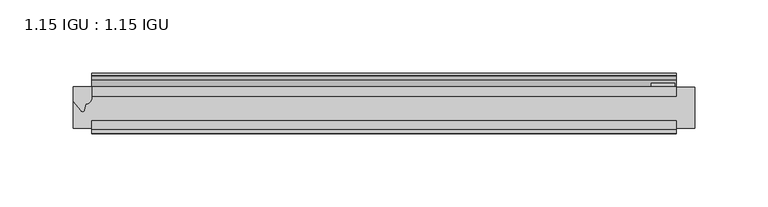
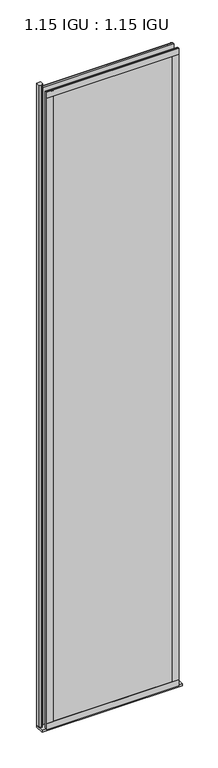
"""IFC4 building model written with IfcOpenShell, lengths in millimetres: plate geometry, 1.15 IGU : 1.15 IGU."""

from ifc_helpers import new_model, si_unit, point, frame, frame_2d, origin, place, context, project, spatial, polyline, circle_curve, trimmed, segment, composite_curve, outline, extrude, source, transform, mapped, element, save


def plate_1_15_igu_1_15_igu_d305fea1(model_context):
    return source(origin(), model_context, "Body", "SweptSolid", [
        extrude(outline(polyline([(200.025, 0.0), (200.025, -6.2992), (-200.025, -6.2992), (-200.025, 0.0), (200.025, 0.0)])), frame((0.0, 0.0, -19.05), z_axis=(0.0, 0.0, 1.0), x_axis=(1.0, 0.0, 0.0)), (0.0, 0.0, 1.0), 2036.7498001),
        extrude(outline(polyline([(-200.025, -23.1648), (200.025, -23.1648), (200.025, -29.464), (-200.025, -29.464), (-200.025, -23.1648)])), frame((0.0, 0.0, -19.05), z_axis=(0.0, 0.0, 1.0), x_axis=(1.0, 0.0, 0.0)), (0.0, 0.0, 1.0), 2036.7498001),
        extrude(outline(composite_curve([segment(trimmed(circle_curve(frame_2d((10.9021792, -22.6833935)), 11.4916952), [point((0.0, -19.05))], [point((-0.2638007, -25.4))], True, "CARTESIAN"), True, "CONTINUOUS"), segment(polyline([(-0.2638007, -25.4), (-27.9952564, -25.4), (-27.9952564, -19.05), (0.0, -19.05)]), True, "CONTINUOUS")], self_intersect=False)), frame((-212.725, 0.0, 0.0), z_axis=(1.0, 0.0, 0.0), x_axis=(0.0, 1.0, 0.0)), (0.0, 0.0, 1.0), 425.45),
        extrude(outline(composite_curve([segment(polyline([(-200.025, 8.8e-06), (-200.025, -7.7683362)]), True, "CONTINUOUS"), segment(trimmed(circle_curve(frame_2d((-203.9964979, -7.7683362)), 3.9714979), [point((-200.025, -7.7683362))], [point((-204.1239498, -11.7377885))], False, "CARTESIAN"), True, "CONTINUOUS"), segment(polyline([(-204.1239498, -11.7377885), (-205.1039843, -16.012436)]), True, "CONTINUOUS"), segment(trimmed(circle_curve(frame_2d((-206.2051933, -15.7723555)), 1.1270758), [point((-205.1039843, -16.012436))], [point((-207.1590327, -16.372764))], False, "CARTESIAN"), True, "CONTINUOUS"), segment(polyline([(-207.1590327, -16.372764), (-212.725, -9.7395025), (-212.725, 8.8e-06), (-200.025, 8.8e-06)]), True, "CONTINUOUS")], self_intersect=False)), frame((0.0, 0.0, -19.05), z_axis=(0.0, 0.0, 1.0), x_axis=(1.0, 0.0, 0.0)), (0.0, 0.0, 1.0), 2051.8374001),
        extrude(outline(polyline([(-200.025, -31.75), (-200.025, -29.464), (200.025, -29.464), (200.025, -31.75), (-200.025, -31.75)])), frame((0.0, 0.0, -19.05), z_axis=(0.0, 0.0, 1.0), x_axis=(1.0, 0.0, 0.0)), (0.0, 0.0, 1.0), 19.05),
        extrude(outline(composite_curve([segment(trimmed(circle_curve(frame_2d((-23.3689302, 2041.8664901)), 40.3187601), [point((0.0, 2009.0108131))], [point((4.9746073, 2013.1916528))], True, "CARTESIAN"), True, "CONTINUOUS"), segment(trimmed(circle_curve(frame_2d((5.8674, 2012.2884246)), 1.27), [point((4.9746073, 2013.1916528))], [point((7.1374, 2012.2884246))], False, "CARTESIAN"), True, "CONTINUOUS"), segment(polyline([(7.1374, 2012.2884246), (7.1374, 2007.8876169), (7.7309478, 2005.6724663), (6.35, 2005.4379789), (6.35, 2000.2500001), (9.3980339, 2000.2500001), (9.3980339, 1998.8684051)]), True, "CONTINUOUS"), segment(trimmed(circle_curve(frame_2d((13.6593785, 1967.8551528)), 31.3046461), [point((9.3980339, 1998.8684051))], [point((0.0, 1996.0225498))], True, "CARTESIAN"), True, "CONTINUOUS"), segment(polyline([(0.0, 1996.0225498), (0.0, 2009.0108131)]), True, "CONTINUOUS")], self_intersect=False)), frame((-200.025, 0.0, 0.0), z_axis=(1.0, 0.0, 0.0), x_axis=(0.0, 1.0, 0.0)), (0.0, 0.0, 1.0), 400.05),
        extrude(outline(polyline([(-200.025, -31.75), (-200.025, -29.464), (200.025, -29.464), (200.025, -31.75), (-200.025, -31.75)])), frame((0.0, 0.0, 2000.2500001), z_axis=(0.0, 0.0, 1.0), x_axis=(1.0, 0.0, 0.0)), (0.0, 0.0, 1.0), 19.05),
        extrude(outline(polyline([(180.975, -29.464), (200.025, -29.464), (200.025, -31.75), (180.975, -31.75), (180.975, -29.464)])), frame((0.0, 0.0, -19.05), z_axis=(0.0, 0.0, 1.0), x_axis=(1.0, 0.0, 0.0)), (0.0, 0.0, 1.0), 2036.7498001),
        extrude(outline(polyline([(198.8185, 2.2860088), (198.8185, 0.0021347), (182.9435, 0.0021347), (182.9435, 2.2860088), (198.8185, 2.2860088)])), frame((0.0, 0.0, -19.05), z_axis=(0.0, 0.0, 1.0), x_axis=(1.0, 0.0, 0.0)), (0.0, 0.0, 1.0), 2036.7498001),
        extrude(outline(polyline([(-200.025, -31.75), (-200.025, -29.464), (-180.975, -29.464), (-180.975, -31.75), (-200.025, -31.75)])), frame((0.0, 0.0, -19.05), z_axis=(0.0, 0.0, 1.0), x_axis=(1.0, 0.0, 0.0)), (0.0, 0.0, 1.0), 2036.7498001),
    ])


if __name__ == "__main__":
    model = new_model("IFC4")
    model_context = context("Model", 3, world=origin())
    ifc_project = project(units=[si_unit("LENGTHUNIT", "METRE", prefix="MILLI")], contexts=[model_context])
    site = spatial("IfcSite", under=ifc_project)
    building = spatial("IfcBuilding", under=site)
    placement = place(None, origin())
    plate_1_15_igu_1_15_igu_shape = plate_1_15_igu_1_15_igu_d305fea1(model_context)
    element("IfcPlate", 1, ObjectType="1.15 IGU : 1.15 IGU", at=placement, inside=building, context=model_context, shape_type="MappedRepresentation", body=[
        mapped(plate_1_15_igu_1_15_igu_shape, transform((0.0, 0.0, 0.0), x_axis=(1.0, 0.0, 0.0), y_axis=(0.0, 1.0, 0.0), z_axis=(0.0, 0.0, 1.0))),
    ])
    save(model, "model.ifc")
